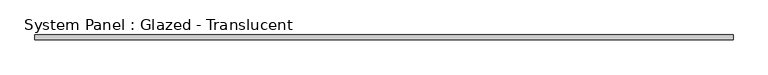
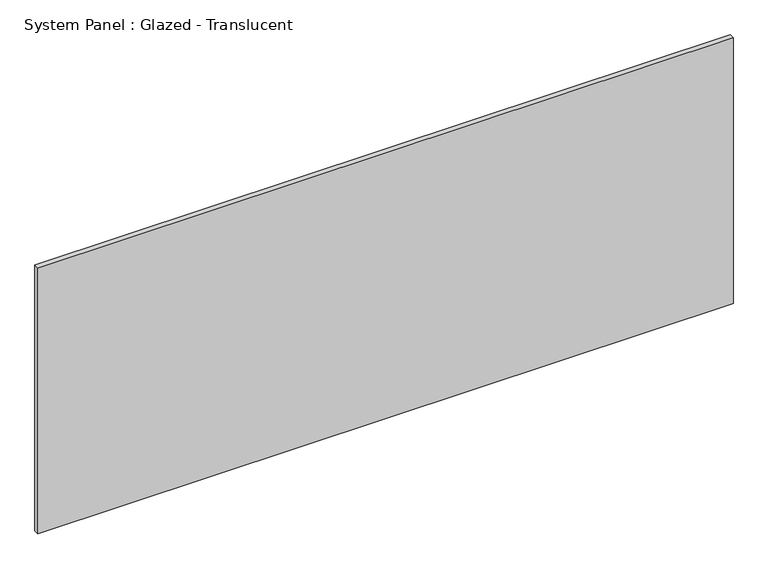
"""IFC4 building model written with IfcOpenShell, lengths in millimetres: plate geometry, System Panel : Glazed - Translucent."""

import ifcopenshell
import ifcopenshell.guid

model = None  # the IFC model being written
_history = None  # IfcOwnerHistory: only IFC2X3 demands one
_inside = {}  # id of a spatial element -> (the spatial element, [elements in it])
_under = {}  # id of a project, library or spatial element -> (it, [spatial elements below it])
_declared = {}  # id of a project -> (the project, [libraries it declares])
_typed = {}  # id of a type object -> (the type object, [elements of that type])
_made_of = {}  # id of a material, layer set ... -> (it, [elements and type objects made of it])


def new_model(schema):
    """Start an empty IFC model of exactly this schema.

    Asked for "IFC4X3", IfcOpenShell would pick the latest addendum, in which some entities
    have other attributes; the version numbers below select the first issue.
    IFC2X3 requires an IfcOwnerHistory on every rooted entity: one is made here for all.
    """
    global model, _history
    if schema == "IFC4X3":
        model = ifcopenshell.file(schema_version=(4, 3, 0, 0))
    else:
        model = ifcopenshell.file(schema=schema)
    _inside.clear()
    _under.clear()
    _declared.clear()
    _typed.clear()
    _made_of.clear()
    _history = None
    if model.schema == "IFC2X3":
        org = make("IfcOrganization", Name="unknown")
        user = make(
            "IfcPersonAndOrganization",
            ThePerson=make("IfcPerson", FamilyName="unknown"),
            TheOrganization=org,
        )
        app = make(
            "IfcApplication",
            ApplicationDeveloper=org,
            Version="unknown",
            ApplicationFullName="unknown",
            ApplicationIdentifier="unknown",
        )
        _history = make(
            "IfcOwnerHistory",
            OwningUser=user,
            OwningApplication=app,
            ChangeAction="ADDED",
            CreationDate=0,
        )
    return model


def make(cls, **values):
    """One entity of the class cls with the attributes given. An attribute that is None is left unset."""
    return model.create_entity(
        cls, **{name: value for name, value in values.items() if value is not None}
    )


def rooted(cls, **values):
    """An entity with a GlobalId (a new one), such as an element, a storey or a relation."""
    return make(cls, GlobalId=ifcopenshell.guid.new(), OwnerHistory=_history, **values)


def si_unit(unit_type, name, prefix=None):
    """IfcSIUnit, for example si_unit("LENGTHUNIT", "METRE", prefix="MILLI")."""
    return make("IfcSIUnit", UnitType=unit_type, Prefix=prefix, Name=name)


def assignment(units):
    """IfcUnitAssignment: the units of a project."""
    return None if units is None else make("IfcUnitAssignment", Units=units)


def point(xyz):
    """IfcCartesianPoint."""
    return None if xyz is None else make("IfcCartesianPoint", Coordinates=xyz)


def direction(xyz):
    """IfcDirection."""
    return None if xyz is None else make("IfcDirection", DirectionRatios=xyz)


def frame(location, z_axis=None, x_axis=None):
    """IfcAxis2Placement3D, a coordinate frame: its origin and axes. An axis left out is left unset."""
    return make(
        "IfcAxis2Placement3D",
        Location=point(location),
        Axis=direction(z_axis),
        RefDirection=direction(x_axis),
    )


def origin():
    """The frame at (0, 0, 0) with its axes left unset."""
    return frame((0.0, 0.0, 0.0))


def origin_with_axes():
    """The frame at (0, 0, 0) with the z axis (0, 0, 1) and the x axis (1, 0, 0) written out."""
    return frame((0.0, 0.0, 0.0), z_axis=(0.0, 0.0, 1.0), x_axis=(1.0, 0.0, 0.0))


def place(relative_to, where):
    """IfcLocalPlacement: puts the frame where relative to a parent placement (None: the world)."""
    return make(
        "IfcLocalPlacement", PlacementRelTo=relative_to, RelativePlacement=where
    )


def context(
    kind, dimensions, precision=None, world=None, true_north=None, identifier=None
):
    """IfcGeometricRepresentationContext, for example the 3D "Model" context."""
    return make(
        "IfcGeometricRepresentationContext",
        ContextIdentifier=identifier,
        ContextType=kind,
        CoordinateSpaceDimension=dimensions,
        Precision=precision,
        WorldCoordinateSystem=world,
        TrueNorth=true_north,
    )


def project(units=None, contexts=None):
    """IfcProject with its units and contexts."""
    return rooted(
        "IfcProject",
        Name="project",
        RepresentationContexts=contexts,
        UnitsInContext=assignment(units),
    )


def spatial(cls, under=None, at=None, **own):
    """A site, building, storey or space (cls), placed at a placement, below another one or the project."""
    s = rooted(cls, ObjectPlacement=at, **own)
    if under is not None:
        _under.setdefault(under.id(), (under, []))[1].append(s)
    return s


def polyline(points):
    """IfcPolyline through the points."""
    return make("IfcPolyline", Points=[point(p) for p in points])


def outline(outer, holes=None, kind="AREA"):
    """IfcArbitraryClosedProfileDef: a profile drawn as a closed curve; with holes, ...WithVoids."""
    if holes is None:
        return make("IfcArbitraryClosedProfileDef", ProfileType=kind, OuterCurve=outer)
    return make(
        "IfcArbitraryProfileDefWithVoids",
        ProfileType=kind,
        OuterCurve=outer,
        InnerCurves=holes,
    )


def extrude(swept, where, along, depth):
    """IfcExtrudedAreaSolid: the profile swept, set in the frame where, extruded along a direction by depth."""
    return make(
        "IfcExtrudedAreaSolid",
        SweptArea=swept,
        Position=where,
        ExtrudedDirection=direction(along),
        Depth=depth,
    )


def shape(context_of_items, identifier, shape_type, items):
    """IfcShapeRepresentation: the items that make up one representation, for example the "Body"."""
    return make(
        "IfcShapeRepresentation",
        ContextOfItems=context_of_items,
        RepresentationIdentifier=identifier,
        RepresentationType=shape_type,
        Items=items,
    )


def source(mapping_origin, context_of_items, identifier, shape_type, items):
    """IfcRepresentationMap: a shape defined once, which mapped items show again and again."""
    return make(
        "IfcRepresentationMap",
        MappingOrigin=mapping_origin,
        MappedRepresentation=shape(context_of_items, identifier, shape_type, items),
    )


def transform(
    local_origin,
    x_axis=None,
    y_axis=None,
    z_axis=None,
    scale=None,
    scale2=None,
    scale3=None,
    uniform=True,
):
    """IfcCartesianTransformationOperator3D, or its non-uniform kind. x_axis, y_axis, z_axis: its Axis1, 2, 3."""
    if uniform:
        return make(
            "IfcCartesianTransformationOperator3D",
            Axis1=direction(x_axis),
            Axis2=direction(y_axis),
            LocalOrigin=point(local_origin),
            Scale=scale,
            Axis3=direction(z_axis),
        )
    return make(
        "IfcCartesianTransformationOperator3DnonUniform",
        Axis1=direction(x_axis),
        Axis2=direction(y_axis),
        LocalOrigin=point(local_origin),
        Scale=scale,
        Axis3=direction(z_axis),
        Scale2=scale2,
        Scale3=scale3,
    )


def mapped(mapping_source, mapping_target):
    """IfcMappedItem: shows the shape of a source again, moved by a transform."""
    return make(
        "IfcMappedItem", MappingSource=mapping_source, MappingTarget=mapping_target
    )


def made_of(thing, what):
    """Note that an element or type object is made of a material, layer set ...; save() writes the relation."""
    if what is not None:
        _made_of.setdefault(what.id(), (what, []))[1].append(thing)
    return thing


def element(
    cls,
    number,
    at=None,
    inside=None,
    cuts=None,
    type_object=None,
    material=None,
    context=None,
    identifier="Body",
    shape_type=None,
    held_by="IfcProductDefinitionShape",
    body=None,
    shapes=None,
    **own,
):
    """One element of the class cls, such as IfcWall. Its Tag is "e" and its number.

    at: its placement. inside: the storey or other place that contains it. cuts: it is an
    opening in that element (IfcRelVoidsElement). A single representation is given by context,
    identifier, shape_type and body (its items); several are given by shapes. held_by: the class
    of the entity that holds the representations. save() writes the other relations.
    """
    e = rooted(cls, Tag="e%d" % number, ObjectPlacement=at, **own)
    if body is not None:
        shapes = [shape(context, identifier, shape_type, body)]
    if shapes is not None:
        e.Representation = make(held_by, Representations=shapes)
    if inside is not None:
        _inside.setdefault(inside.id(), (inside, []))[1].append(e)
    if cuts is not None:
        rooted(
            "IfcRelVoidsElement", RelatingBuildingElement=cuts, RelatedOpeningElement=e
        )
    if type_object is not None:
        _typed.setdefault(type_object.id(), (type_object, []))[1].append(e)
    return made_of(e, material)


def aggregate(whole, parts):
    """IfcRelAggregates: a whole, such as a stair, and the parts it consists of."""
    return rooted("IfcRelAggregates", RelatingObject=whole, RelatedObjects=parts)


def save(model, path):
    """Write the relations noted so far, then the file.

    IfcRelAggregates (storeys below a building ...), IfcRelContainedInSpatialStructure (elements
    in a storey), IfcRelDefinesByType, IfcRelAssociatesMaterial and IfcRelDeclares: one each for
    every whole, place, type object, material and project.
    """
    for whole, parts in _under.values():
        aggregate(whole, parts)
    for where, things in _inside.values():
        rooted(
            "IfcRelContainedInSpatialStructure",
            RelatedElements=things,
            RelatingStructure=where,
        )
    for kind, things in _typed.values():
        rooted("IfcRelDefinesByType", RelatedObjects=things, RelatingType=kind)
    for what, things in _made_of.values():
        rooted("IfcRelAssociatesMaterial", RelatedObjects=things, RelatingMaterial=what)
    for by, libraries in _declared.values():
        rooted("IfcRelDeclares", RelatingContext=by, RelatedDefinitions=libraries)
    model.write(path)


def system_panel_glazed_translucent_4380e674(model_context):
    return source(origin(), model_context, "Body", "SweptSolid", [
        extrude(outline(polyline([(1765.3, 19.05), (-1765.3, 19.05), (-1765.3, 44.45), (1765.3, 44.45), (1765.3, 19.05)])), origin_with_axes(), (0.0, 0.0, 1.0), 1428.75),
    ])


if __name__ == "__main__":
    model = new_model("IFC4")
    model_context = context("Model", 3, world=origin())
    ifc_project = project(units=[si_unit("LENGTHUNIT", "METRE", prefix="MILLI")], contexts=[model_context])
    site = spatial("IfcSite", under=ifc_project)
    building = spatial("IfcBuilding", under=site)
    placement = place(None, origin())
    system_panel_glazed_translucent_shape = system_panel_glazed_translucent_4380e674(model_context)
    element("IfcPlate", 1, ObjectType="System Panel : Glazed - Translucent", at=placement, inside=building, context=model_context, shape_type="MappedRepresentation", body=[
        mapped(system_panel_glazed_translucent_shape, transform((0.0, 0.0, 0.0), x_axis=(1.0, 0.0, 0.0), y_axis=(0.0, 1.0, 0.0), z_axis=(0.0, 0.0, 1.0))),
    ])
    save(model, "model.ifc")
